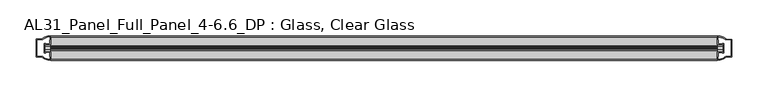
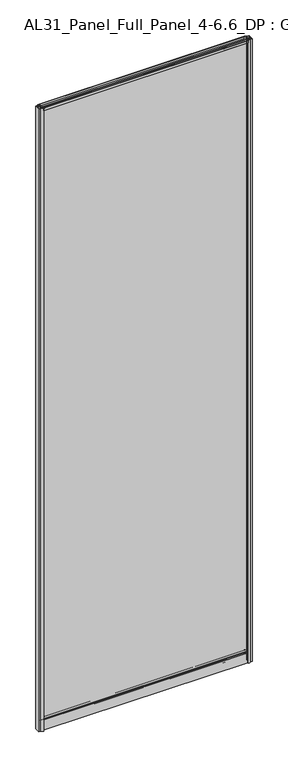
"""IFC4 building model written with IfcOpenShell, lengths in millimetres: plate geometry, AL31_Panel_Full_Panel_4-6.6_DP : Glass, Clear Glass."""

from ifc_helpers import new_model, si_unit, point, frame, frame_2d, origin, origin_with_axes, place, context, project, spatial, polyline, circle_curve, trimmed, segment, composite_curve, outline, extrude, source, transform, mapped, element, save


def al31_panel_full_panel_4_6_6_dp_glass_clear_glass_ff2fa15b(model_context):
    return source(origin(), model_context, "Body", "SweptSolid", [
        extrude(outline(composite_curve([segment(trimmed(circle_curve(frame_2d((-19.957, 2961.8572926)), 3.0), [point((-18.457, 2964.4553688))], [point((-17.4851586, 2960.1572926))], False, "CARTESIAN"), True, "CONTINUOUS"), segment(polyline([(-17.4851586, 2960.1572926), (-4.157, 2960.1572926), (-4.157, 2969.5572926), (-2.857, 2969.5572926), (-2.857, 2959.0572926), (-13.1545312, 2959.0572926), (-13.1545312, 2958.2572926), (-13.6601218, 2956.3357964), (-13.6601218, 2951.6572926), (-14.857, 2951.6572926), (-14.857, 2956.9912672), (-14.357, 2957.8572926), (-14.357, 2959.0572926), (-25.357, 2959.0572926), (-25.357, 2957.8572926), (-24.857, 2956.9912672), (-24.857, 2951.6572926), (-26.0538782, 2951.6572926), (-26.0538782, 2956.3357964), (-26.5594688, 2958.2572926), (-26.5594688, 2959.0572926), (-36.857, 2959.0572926), (-36.857, 2969.5572926), (-35.557, 2969.5572926), (-35.557, 2960.1572926), (-22.4288414, 2960.1572926)]), True, "CONTINUOUS"), segment(trimmed(circle_curve(frame_2d((-19.957, 2961.8572926)), 3.0), [point((-22.4288414, 2960.1572926))], [point((-21.457, 2964.4553688))], False, "CARTESIAN"), True, "CONTINUOUS"), segment(polyline([(-21.457, 2964.4553688), (-20.907, 2963.5027409)]), True, "CONTINUOUS"), segment(trimmed(circle_curve(frame_2d((-19.957, 2961.8572926)), 1.9), [point((-20.907, 2963.5027409))], [point((-19.007, 2963.5027409))], True, "CARTESIAN"), True, "CONTINUOUS"), segment(polyline([(-19.007, 2963.5027409), (-18.457, 2964.4553688)]), True, "CONTINUOUS")], self_intersect=False)), frame((-461.25, 0.0, 0.0), z_axis=(1.0, 0.0, 0.0), x_axis=(0.0, 1.0, 0.0)), (0.0, 0.0, 1.0), 922.5),
        extrude(outline(composite_curve([segment(polyline([(-11.457, 35.8), (-28.257, 35.8)]), True, "CONTINUOUS"), segment(trimmed(circle_curve(frame_2d((-28.257, 34.8)), 1.0), [point((-28.257, 35.8))], [point((-29.257, 34.8))], True, "CARTESIAN"), True, "CONTINUOUS"), segment(polyline([(-29.257, 34.8), (-29.257, 33.5), (-24.8569697, 33.5), (-24.8569697, 32.3), (-29.257, 32.3), (-29.257, 0.0), (-30.457, 0.0), (-30.457, 47.3)]), True, "CONTINUOUS"), segment(trimmed(circle_curve(frame_2d((-28.457, 47.3)), 2.0), [point((-30.457, 47.3))], [point((-28.457, 49.3))], False, "CARTESIAN"), True, "CONTINUOUS"), segment(polyline([(-28.457, 49.3), (-24.857, 49.3), (-24.857, 41.9), (-14.857, 41.9), (-14.857, 49.3), (-11.257, 49.3)]), True, "CONTINUOUS"), segment(trimmed(circle_curve(frame_2d((-11.257, 47.3)), 2.0), [point((-11.257, 49.3))], [point((-9.257, 47.3))], False, "CARTESIAN"), True, "CONTINUOUS"), segment(polyline([(-9.257, 47.3), (-9.257, 0.0), (-10.457, 0.0), (-10.457, 32.3), (-14.8569697, 32.3), (-14.8569697, 33.5), (-10.457, 33.5), (-10.457, 34.8)]), True, "CONTINUOUS"), segment(trimmed(circle_curve(frame_2d((-11.457, 34.8)), 1.0), [point((-10.457, 34.8))], [point((-11.457, 35.8))], True, "CARTESIAN"), True, "CONTINUOUS")], self_intersect=False), holes=[composite_curve([segment(polyline([(-26.3594688, 41.8), (-26.3594688, 42.9)]), True, "CONTINUOUS"), segment(trimmed(circle_curve(frame_2d((-25.1594688, 42.9)), 1.2), [point((-26.3594688, 42.9))], [point((-25.9768184, 43.7786009))], False, "CARTESIAN"), True, "CONTINUOUS"), segment(polyline([(-25.9768184, 43.7786009), (-25.9768184, 48.2), (-28.257, 48.2)]), True, "CONTINUOUS"), segment(trimmed(circle_curve(frame_2d((-28.257, 47.2)), 1.0), [point((-28.257, 48.2))], [point((-29.257, 47.2))], True, "CARTESIAN"), True, "CONTINUOUS"), segment(polyline([(-29.257, 47.2), (-29.257, 37.04), (-22.6578965, 37.04), (-22.6578965, 38.0725806), (-21.6940508, 38.0725806)]), True, "CONTINUOUS"), segment(trimmed(circle_curve(frame_2d((-19.857, 39.1)), 2.1048387), [point((-21.6940508, 38.0725806))], [point((-18.0199492, 38.0725806))], True, "CARTESIAN"), True, "CONTINUOUS"), segment(polyline([(-18.0199492, 38.0725806), (-17.0561035, 38.0725806), (-17.0561035, 37.04), (-10.457, 37.04), (-10.457, 47.2)]), True, "CONTINUOUS"), segment(trimmed(circle_curve(frame_2d((-11.457, 47.2)), 1.0), [point((-10.457, 47.2))], [point((-11.457, 48.2))], True, "CARTESIAN"), True, "CONTINUOUS"), segment(polyline([(-11.457, 48.2), (-13.7371816, 48.2), (-13.7371816, 43.5786009)]), True, "CONTINUOUS"), segment(trimmed(circle_curve(frame_2d((-14.5545312, 42.7)), 1.2), [point((-13.7371816, 43.5786009))], [point((-13.3545312, 42.7))], False, "CARTESIAN"), True, "CONTINUOUS"), segment(polyline([(-13.3545312, 42.7), (-13.3545312, 41.8)]), True, "CONTINUOUS"), segment(trimmed(circle_curve(frame_2d((-14.3545312, 41.8)), 1.0), [point((-13.3545312, 41.8))], [point((-14.3545312, 40.8))], False, "CARTESIAN"), True, "CONTINUOUS"), segment(polyline([(-14.3545312, 40.8), (-17.0561035, 40.8), (-17.0561035, 39.7274194), (-18.0199492, 39.7274194)]), True, "CONTINUOUS"), segment(trimmed(circle_curve(frame_2d((-19.857, 38.7)), 2.1048387), [point((-18.0199492, 39.7274194))], [point((-21.6940508, 39.7274194))], True, "CARTESIAN"), True, "CONTINUOUS"), segment(polyline([(-21.6940508, 39.7274194), (-22.6578965, 39.7274194), (-22.6578965, 40.8), (-25.3594688, 40.8)]), True, "CONTINUOUS"), segment(trimmed(circle_curve(frame_2d((-25.3594688, 41.8)), 1.0), [point((-25.3594688, 40.8))], [point((-26.3594688, 41.8))], False, "CARTESIAN"), True, "CONTINUOUS")], self_intersect=False)]), frame((-461.25, 0.0, 0.0), z_axis=(1.0, 0.0, 0.0), x_axis=(0.0, 1.0, 0.0)), (0.0, 0.0, 1.0), 922.5),
        extrude(outline(composite_curve([segment(polyline([(-469.0914214, -25.757), (-467.8914214, -25.757), (-467.8914214, -24.857), (-461.25, -24.857), (-461.25, -36.8571453)]), True, "CONTINUOUS"), segment(trimmed(circle_curve(frame_2d((-460.8853484, -16.8604698)), 20.0), [point((-461.25, -36.8571453))], [point((-472.6058352, -33.0663388))], False, "CARTESIAN"), True, "CONTINUOUS"), segment(polyline([(-472.6058352, -33.0663388), (-472.6058352, -32.1849343), (-481.25, -32.1849343), (-481.25, -7.4849343), (-472.6058352, -7.4849343), (-472.6058352, -6.6474751)]), True, "CONTINUOUS"), segment(trimmed(circle_curve(frame_2d((-460.8853484, -22.8533441)), 20.0), [point((-472.6058352, -6.6474751))], [point((-461.25, -2.8566686))], False, "CARTESIAN"), True, "CONTINUOUS"), segment(polyline([(-461.25, -2.8566686), (-461.25, -14.857), (-467.8914214, -14.857), (-467.8914214, -13.957), (-469.0914214, -13.957), (-469.0914214, -25.757)]), True, "CONTINUOUS")], self_intersect=False), holes=[composite_curve([segment(trimmed(circle_curve(frame_2d((-468.0914214, -14.157)), 1.5), [point((-468.0914214, -12.657))], [point((-466.7361671, -13.5141269))], False, "CARTESIAN"), True, "CONTINUOUS"), segment(polyline([(-466.7361671, -13.5141269), (-462.9914214, -13.5141269), (-462.9914214, -8.917777), (-462.5520815, -7.8571168), (-462.5520815, -4.2070183)]), True, "CONTINUOUS"), segment(trimmed(circle_curve(frame_2d((-460.8853484, -22.8325921)), 18.7), [point((-462.5520815, -4.2070183))], [point((-470.8921262, -7.0353013))], True, "CARTESIAN"), True, "CONTINUOUS"), segment(trimmed(circle_curve(frame_2d((-472.6914214, -6.9849343)), 1.8), [point((-470.8921262, -7.0353013))], [point((-472.6914214, -8.7849343))], False, "CARTESIAN"), True, "CONTINUOUS"), segment(polyline([(-472.6914214, -8.7849343), (-479.8328427, -8.7849343), (-479.8328427, -13.3550394), (-479.3914214, -14.417777), (-479.3914214, -25.2520916), (-479.8914214, -26.2449987), (-479.8914214, -30.8849343), (-472.6914214, -30.8849343)]), True, "CONTINUOUS"), segment(trimmed(circle_curve(frame_2d((-472.6914214, -32.6849343)), 1.8), [point((-472.6914214, -30.8849343))], [point((-470.8921262, -32.6345673))], False, "CARTESIAN"), True, "CONTINUOUS"), segment(trimmed(circle_curve(frame_2d((-460.8853484, -16.8372765)), 18.7), [point((-470.8921262, -32.6345673))], [point((-462.5520815, -35.4628503))], True, "CARTESIAN"), True, "CONTINUOUS"), segment(polyline([(-462.5520815, -35.4628503), (-462.5520815, -31.8127518), (-462.9914214, -30.7520916), (-462.9914214, -26.1561308), (-466.7162696, -26.1561308)]), True, "CONTINUOUS"), segment(trimmed(circle_curve(frame_2d((-468.0914214, -25.557)), 1.5), [point((-466.7162696, -26.1561308))], [point((-468.0914214, -27.057))], False, "CARTESIAN"), True, "CONTINUOUS"), segment(polyline([(-468.0914214, -27.057), (-470.3914214, -27.057), (-470.3914214, -12.657), (-468.0914214, -12.657)]), True, "CONTINUOUS")], self_intersect=False)]), origin_with_axes(), (0.0, 0.0, 1.0), 2969.5572926),
        extrude(outline(composite_curve([segment(polyline([(469.0914214, -13.957), (467.8914214, -13.957), (467.8914214, -14.857), (461.25, -14.857), (461.25, -2.8568547)]), True, "CONTINUOUS"), segment(trimmed(circle_curve(frame_2d((460.8853484, -22.8535302)), 20.0), [point((461.25, -2.8568547))], [point((472.6058352, -6.6476612))], False, "CARTESIAN"), True, "CONTINUOUS"), segment(polyline([(472.6058352, -6.6476612), (472.6058352, -7.5290657), (481.25, -7.5290657), (481.25, -32.2290657), (472.6058352, -32.2290657), (472.6058352, -33.0665249)]), True, "CONTINUOUS"), segment(trimmed(circle_curve(frame_2d((460.8853484, -16.8606559)), 20.0), [point((472.6058352, -33.0665249))], [point((461.25, -36.8573314))], False, "CARTESIAN"), True, "CONTINUOUS"), segment(polyline([(461.25, -36.8573314), (461.25, -24.857), (467.8914214, -24.857), (467.8914214, -25.757), (469.0914214, -25.757), (469.0914214, -13.957)]), True, "CONTINUOUS")], self_intersect=False), holes=[composite_curve([segment(trimmed(circle_curve(frame_2d((468.0914214, -25.557)), 1.5), [point((468.0914214, -27.057))], [point((466.7361671, -26.1998731))], False, "CARTESIAN"), True, "CONTINUOUS"), segment(polyline([(466.7361671, -26.1998731), (462.9914214, -26.1998731), (462.9914214, -30.796223), (462.5520815, -31.8568832), (462.5520815, -35.5069817)]), True, "CONTINUOUS"), segment(trimmed(circle_curve(frame_2d((460.8853484, -16.8814079)), 18.7), [point((462.5520815, -35.5069817))], [point((470.8921262, -32.6786987))], True, "CARTESIAN"), True, "CONTINUOUS"), segment(trimmed(circle_curve(frame_2d((472.6914214, -32.7290657)), 1.8), [point((470.8921262, -32.6786987))], [point((472.6914214, -30.9290657))], False, "CARTESIAN"), True, "CONTINUOUS"), segment(polyline([(472.6914214, -30.9290657), (479.8328427, -30.9290657), (479.8328427, -26.3589606), (479.3914214, -25.296223), (479.3914214, -14.4619084), (479.8914214, -13.4690013), (479.8914214, -8.8290657), (472.6914214, -8.8290657)]), True, "CONTINUOUS"), segment(trimmed(circle_curve(frame_2d((472.6914214, -7.0290657)), 1.8), [point((472.6914214, -8.8290657))], [point((470.8921262, -7.0794327))], False, "CARTESIAN"), True, "CONTINUOUS"), segment(trimmed(circle_curve(frame_2d((460.8853484, -22.8767235)), 18.7), [point((470.8921262, -7.0794327))], [point((462.5520815, -4.2511497))], True, "CARTESIAN"), True, "CONTINUOUS"), segment(polyline([(462.5520815, -4.2511497), (462.5520815, -7.9012482), (462.9914214, -8.9619084), (462.9914214, -13.5578692), (466.7162696, -13.5578692)]), True, "CONTINUOUS"), segment(trimmed(circle_curve(frame_2d((468.0914214, -14.157)), 1.5), [point((466.7162696, -13.5578692))], [point((468.0914214, -12.657))], False, "CARTESIAN"), True, "CONTINUOUS"), segment(polyline([(468.0914214, -12.657), (470.3914214, -12.657), (470.3914214, -27.057), (468.0914214, -27.057)]), True, "CONTINUOUS")], self_intersect=False)]), origin_with_axes(), (0.0, 0.0, 1.0), 2969.5572926),
        extrude(outline(polyline([(469.0914214, -17.857), (469.0914214, -21.857), (-469.0914214, -21.857), (-469.0914214, -17.857), (469.0914214, -17.857)])), frame((0.0, 0.0, 41.9), z_axis=(0.0, 0.0, 1.0), x_axis=(1.0, 0.0, 0.0)), (0.0, 0.0, 1.0), 2917.1572926),
    ])


if __name__ == "__main__":
    model = new_model("IFC4")
    model_context = context("Model", 3, world=origin())
    ifc_project = project(units=[si_unit("LENGTHUNIT", "METRE", prefix="MILLI")], contexts=[model_context])
    site = spatial("IfcSite", under=ifc_project)
    building = spatial("IfcBuilding", under=site)
    placement = place(None, origin())
    al31_panel_full_panel_4_6_6_dp_glass_clear_glass_shape = al31_panel_full_panel_4_6_6_dp_glass_clear_glass_ff2fa15b(model_context)
    element("IfcPlate", 1, ObjectType="AL31_Panel_Full_Panel_4-6.6_DP : Glass, Clear Glass", at=placement, inside=building, context=model_context, shape_type="MappedRepresentation", body=[
        mapped(al31_panel_full_panel_4_6_6_dp_glass_clear_glass_shape, transform((0.0, 0.0, 0.0), x_axis=(1.0, 0.0, 0.0), y_axis=(0.0, 1.0, 0.0), z_axis=(0.0, 0.0, 1.0))),
    ])
    save(model, "model.ifc")
